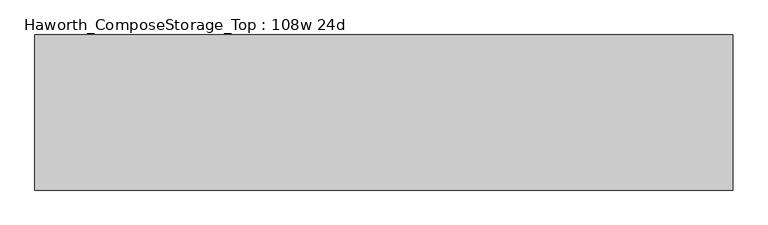
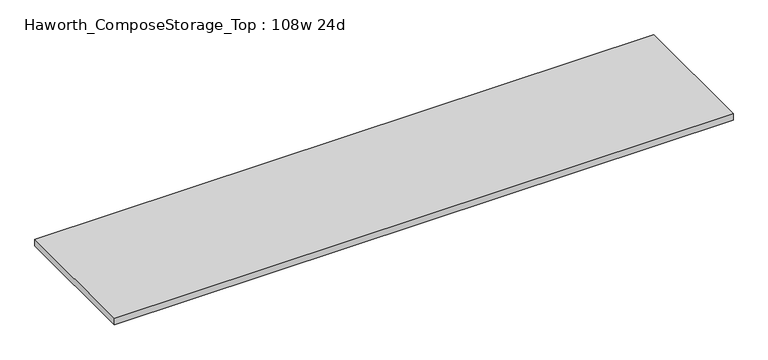
"""IFC4 building model written with IfcOpenShell, lengths in millimetres: furniture geometry, Haworth_ComposeStorage_Top : 108w 24d."""

from ifc_helpers import new_model, si_unit, frame, origin, place, context, project, spatial, polyline, outline, extrude, source, transform, mapped, element, save


def haworth_composestorage_top_108w_24d_2c69e369(model_context):
    return source(origin(), model_context, "Body", "SweptSolid", [
        extrude(outline(polyline([(1371.6, 304.8), (1371.6, -304.8), (-1371.6, -304.8), (-1371.6, 304.8), (1371.6, 304.8)])), frame((0.0, 0.0, 706.4375), z_axis=(0.0, 0.0, 1.0), x_axis=(1.0, 0.0, 0.0)), (0.0, 0.0, 1.0), 30.1625),
    ])


if __name__ == "__main__":
    model = new_model("IFC4")
    model_context = context("Model", 3, world=origin())
    ifc_project = project(units=[si_unit("LENGTHUNIT", "METRE", prefix="MILLI")], contexts=[model_context])
    site = spatial("IfcSite", under=ifc_project)
    building = spatial("IfcBuilding", under=site)
    placement = place(None, origin())
    haworth_composestorage_top_108w_24d_shape = haworth_composestorage_top_108w_24d_2c69e369(model_context)
    element("IfcFurniture", 1, ObjectType="Haworth_ComposeStorage_Top : 108w 24d", at=placement, inside=building, context=model_context, shape_type="MappedRepresentation", body=[
        mapped(haworth_composestorage_top_108w_24d_shape, transform((0.0, 0.0, 0.0), x_axis=(1.0, 0.0, 0.0), y_axis=(0.0, 1.0, 0.0), z_axis=(0.0, 0.0, 1.0))),
    ])
    save(model, "model.ifc")
